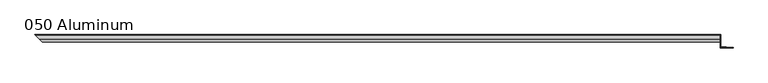
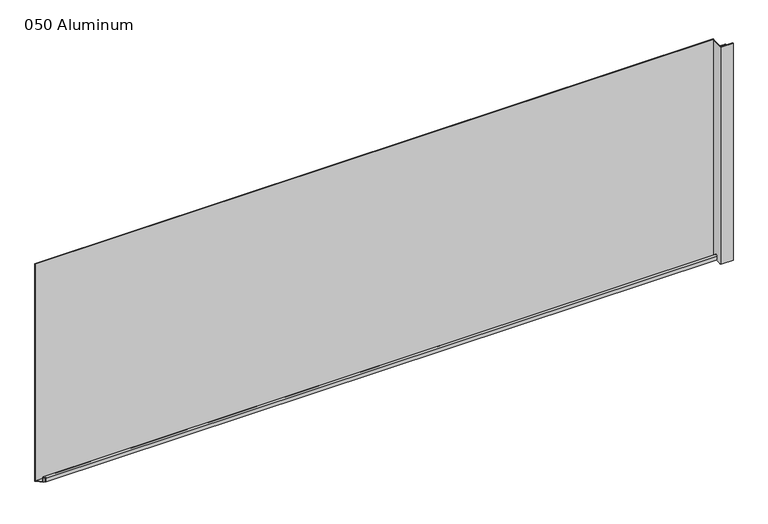
"""IFC4 building model written with IfcOpenShell, lengths in millimetres: plate geometry, 050 Aluminum."""

from ifc_helpers import new_model, si_unit, frame, origin, origin_with_axes, place, context, project, spatial, polyline, circle_curve, ellipse_curve, outline, extrude, source, transform, mapped, element, save
from ifc_brep_helpers import plane_surface, cylinder_surface, revolved_surface, advanced_brep


def plate_050_aluminum_d3ab2553(model_context):
    return source(origin(), model_context, "Body", "SolidModel", [
        advanced_brep(
        [(892.047492, 16.6765477, 13.1458337), (892.047492, 16.6765477, 2.786437), (892.047492, 17.9464915, 2.786437), (892.047492, 17.9464915, 13.1323356), (892.047492, 21.7564743, 13.124237), (892.047492, 21.7564743, 0.0), (892.047492, 34.7980002, 0.0), (892.047492, 34.7980002, 1.2693678), (892.047492, 23.0264743, 1.2693678), (892.047492, 23.0264743, 13.124237), (-922.6940397, 16.6765477, 13.1458337), (-922.6940397, 16.6765477, 2.786437), (-923.9639835, 17.9464915, 2.786437), (-923.9639835, 17.9464915, 13.1323356), (-927.7739663, 21.7564743, 13.124237), (-927.7739663, 21.7564743, 0.0), (-940.815492, 34.798, 0.0), (-940.8154921, 34.7980002, 1.2693678), (-929.0439663, 23.0264743, 1.2693678), (-929.0439663, 23.0264743, 13.124237)],
        [
            (0, 1),
            (1, 2),
            (2, 3),
            (3, 4, circle_curve(frame((892.047492, 19.8514743, 13.124237), z_axis=(-1.0, 0.0, 0.0), x_axis=(0.0, 0.0, -1.0)), 1.905)),
            (4, 5),
            (5, 6),
            (6, 7),
            (7, 8),
            (8, 9),
            (9, 0, circle_curve(frame((892.047492, 19.8514743, 13.124237), z_axis=(1.0, 0.0, 0.0), x_axis=(0.0, 0.0, -1.0)), 3.175)),
            (0, 10),
            (10, 11),
            (11, 1),
            (11, 12),
            (12, 2),
            (12, 13),
            (13, 3),
            (13, 14, ellipse_curve(frame((-925.8689663, 19.8514743, 13.124237), z_axis=(-0.7071067811865466, -0.7071067811865485, 0.0), x_axis=(0.7071067811865485, -0.7071067811865466, 0.0)), 2.6940768, 1.905)),
            (14, 4),
            (14, 15),
            (15, 5),
            (15, 16),
            (16, 6),
            (16, 17),
            (17, 7),
            (17, 18),
            (18, 8),
            (18, 19),
            (19, 9),
            (19, 10, ellipse_curve(frame((-925.8689663, 19.8514743, 13.124237), z_axis=(0.7071067811865466, 0.7071067811865485, 0.0), x_axis=(-0.7071067811865485, 0.7071067811865466, 0.0)), 4.4901281, 3.175)),
        ],
        [
            plane_surface(frame((892.047492, 36.068, 0.0), z_axis=(1.0, 0.0, 0.0), x_axis=(0.0, 0.0, 1.0))),
            plane_surface(frame((-940.815492, 16.6765477, 13.1458337), z_axis=(0.0, -1.0, 0.0), x_axis=(1.0, 0.0, 0.0))),
            plane_surface(frame((-940.815492, 16.6765477, 2.786437), z_axis=(0.0, 0.0, -1.0), x_axis=(1.0, 0.0, 0.0))),
            plane_surface(frame((-940.815492, 17.9464915, 2.786437), z_axis=(0.0, 1.0, 0.0), x_axis=(1.0, 0.0, 0.0))),
            revolved_surface(polyline([(892.0474919999999, 19.8514743, 11.219237000000001), (-927.7739663, 19.8514743, 11.219237000000001)]), (-940.815492, 19.8514743, 13.124237), (1.0, 0.0, 0.0)),
            plane_surface(frame((-940.815492, 21.7564743, 13.124237), z_axis=(0.0, -1.0, 0.0), x_axis=(1.0, 0.0, 0.0))),
            plane_surface(frame((-940.815492, 21.7564743, 0.0), z_axis=(0.0, 0.0, -1.0), x_axis=(1.0, 0.0, 0.0))),
            plane_surface(frame((-940.815492, 34.7980002, 0.0), z_axis=(0.0, 1.0, 0.0), x_axis=(1.0, 0.0, 0.0))),
            plane_surface(frame((-940.815492, 34.7980002, 1.2693678), z_axis=(0.0, 0.0, 1.0), x_axis=(1.0, 0.0, 0.0))),
            plane_surface(frame((-940.815492, 23.0264743, 1.2693678), z_axis=(0.0, 1.0, 0.0), x_axis=(1.0, 0.0, 0.0))),
            cylinder_surface(frame((-940.815492, 19.8514743, 13.124237), z_axis=(-1.0, 0.0, 0.0), x_axis=(0.0, 0.0, -1.0)), 3.175),
            plane_surface(frame((-942.085492, 36.068, 795.4549971), z_axis=(-0.7071067811865466, -0.7071067811865485, 0.0), x_axis=(0.0, 0.0, -1.0))),
        ],
        [
            (0, [[1, 2, 3, 4, 5, 6, 7, 8, 9, 10]]),
            (1, [[11, 12, 13, -1]]),
            (2, [[-13, 14, 15, -2]]),
            (3, [[-15, 16, 17, -3]]),
            (4, [[-17, 18, 19, -4]]),
            (5, [[-19, 20, 21, -5]]),
            (6, [[-21, 22, 23, -6]]),
            (7, [[-23, 24, 25, -7]]),
            (8, [[-25, 26, 27, -8]]),
            (9, [[-27, 28, 29, -9]]),
            (10, [[-29, 30, -11, -10]]),
            (11, [[-30, -28, -26, -24, -22, -20, -18, -16, -14, -12]]),
        ],
    ),
        extrude(outline(polyline([(893.317492, 34.7980001), (-940.8154921, 34.7980001), (-942.085492, 36.068), (893.317492, 36.068), (893.317492, 34.7980001)])), origin_with_axes(), (0.0, 0.0, 1.0), 622.3),
        extrude(outline(polyline([(893.317492, 1.2699999), (925.8295776, 1.2699999), (925.8295776, 0.0), (892.0474921, 0.0), (892.0474921, 34.7980002), (893.317492, 34.7980002), (893.317492, 1.2699999)])), origin_with_axes(), (0.0, 0.0, 1.0), 621.03),
        extrude(outline(polyline([(892.047492, 3.3274743), (907.7954919, 3.3274743), (907.7954919, 2.0574743), (892.047492, 2.0574743), (892.047492, 3.3274743)])), origin_with_axes(), (0.0, 0.0, 1.0), 622.3),
    ])


if __name__ == "__main__":
    model = new_model("IFC4")
    model_context = context("Model", 3, world=origin())
    ifc_project = project(units=[si_unit("LENGTHUNIT", "METRE", prefix="MILLI")], contexts=[model_context])
    site = spatial("IfcSite", under=ifc_project)
    building = spatial("IfcBuilding", under=site)
    placement = place(None, origin())
    plate_050_aluminum_shape = plate_050_aluminum_d3ab2553(model_context)
    element("IfcPlate", 1, ObjectType="050 Aluminum", at=placement, inside=building, context=model_context, shape_type="MappedRepresentation", body=[
        mapped(plate_050_aluminum_shape, transform((0.0, 0.0, 0.0), x_axis=(1.0, 0.0, 0.0), y_axis=(0.0, 1.0, 0.0), z_axis=(0.0, 0.0, 1.0))),
    ])
    save(model, "model.ifc")
